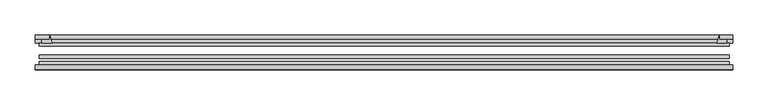
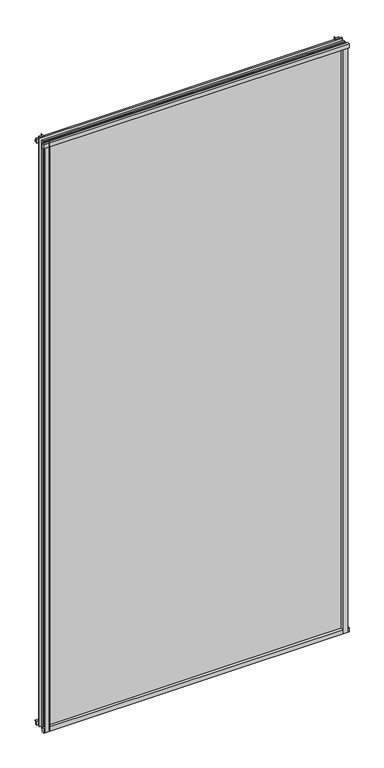
"""IFC4 building model written with IfcOpenShell, lengths in millimetres: plate geometry."""

from ifc_helpers import new_model, si_unit, point, frame, frame_2d, origin, place, context, project, spatial, polyline, circle_curve, trimmed, segment, composite_curve, outline, extrude, source, transform, mapped, element, save


def plate_2d6a0014(model_context):
    return source(origin(), model_context, "Body", "SweptSolid", [
        extrude(outline(composite_curve([segment(polyline([(-85.1328625, 1995.5063002), (-78.7828625, 1995.5063002), (-78.7828625, 1979.2561909)]), True, "CONTINUOUS"), segment(trimmed(circle_curve(frame_2d((-85.0581856, 1970.2064356)), 11.0126179), [point((-78.7828625, 1979.2561909))], [point((-85.1328625, 1981.2188002))], True, "CARTESIAN"), True, "CONTINUOUS"), segment(polyline([(-85.1328625, 1981.2188002), (-85.1328625, 1995.5063002)]), True, "CONTINUOUS")], self_intersect=False)), frame((-493.89665, 0.0, 0.0), z_axis=(1.0, 0.0, 0.0), x_axis=(0.0, 1.0, 0.0)), (0.0, 0.0, 1.0), 986.602675),
        extrude(outline(composite_curve([segment(polyline([(-488.1419625, -78.7828625), (-471.2807469, -78.7828625)]), True, "CONTINUOUS"), segment(trimmed(circle_curve(frame_2d((-460.7183434, -86.7604812)), 13.2365693), [point((-471.2807469, -78.7828625))], [point((-473.8544625, -85.1328625))], True, "CARTESIAN"), True, "CONTINUOUS"), segment(polyline([(-473.8544625, -85.1328625), (-488.1419625, -85.1328625), (-488.1419625, -78.7828625)]), True, "CONTINUOUS")], self_intersect=False)), frame((0.0, 0.0, -14.2875), z_axis=(0.0, 0.0, 1.0), x_axis=(1.0, 0.0, 0.0)), (0.0, 0.0, 1.0), 2009.775),
        extrude(outline(composite_curve([segment(polyline([(488.1419625, -78.7828625), (488.1419625, -85.1328625), (473.8544625, -85.1328625)]), True, "CONTINUOUS"), segment(trimmed(circle_curve(frame_2d((460.7183434, -86.7604812)), 13.2365693), [point((473.8544625, -85.1328625))], [point((471.2807469, -78.7828625))], True, "CARTESIAN"), True, "CONTINUOUS"), segment(polyline([(471.2807469, -78.7828625), (488.1419625, -78.7828625)]), True, "CONTINUOUS")], self_intersect=False)), frame((0.0, 0.0, -14.2875), z_axis=(0.0, 0.0, 1.0), x_axis=(1.0, 0.0, 0.0)), (0.0, 0.0, 1.0), 2009.775),
        extrude(outline(composite_curve([segment(polyline([(-47.1852625, -10.4712201), (-47.1852625, 3.9588469)]), True, "CONTINUOUS"), segment(trimmed(circle_curve(frame_2d((-30.6824422, 32.267054)), 32.7673262), [point((-47.1852625, 3.9588469))], [point((-36.3503395, -0.00635))], True, "CARTESIAN"), True, "CONTINUOUS"), segment(polyline([(-36.3503395, -0.00635), (-42.2830625, -0.00635), (-42.2830625, -10.4712201), (-47.1852625, -10.4712201)]), True, "CONTINUOUS")], self_intersect=False)), frame((-493.89665, 0.0, 0.0), z_axis=(1.0, 0.0, 0.0), x_axis=(0.0, 1.0, 0.0)), (0.0, 0.0, 1.0), 986.602675),
        extrude(outline(composite_curve([segment(polyline([(-78.7828625, -14.2875), (-85.1328625, -14.2875), (-85.1328625, -0.0127)]), True, "CONTINUOUS"), segment(trimmed(circle_curve(frame_2d((-86.7604812, 13.1234191)), 13.2365693), [point((-85.1328625, -0.0127))], [point((-78.7828625, 2.5610156))], True, "CARTESIAN"), True, "CONTINUOUS"), segment(polyline([(-78.7828625, 2.5610156), (-78.7828625, -14.2875)]), True, "CONTINUOUS")], self_intersect=False)), frame((-493.89665, 0.0, 0.0), z_axis=(1.0, 0.0, 0.0), x_axis=(0.0, 1.0, 0.0)), (0.0, 0.0, 1.0), 986.602675),
        extrude(outline(composite_curve([segment(polyline([(-47.1852625, 1977.2284531), (-47.1852625, 1991.9002564), (-42.2830625, 1991.9002564), (-42.2830625, 1981.2), (-36.3140625, 1981.2)]), True, "CONTINUOUS"), segment(trimmed(circle_curve(frame_2d((-30.6824422, 1948.920246)), 32.7673262), [point((-36.3140625, 1981.2))], [point((-47.1852625, 1977.2284531))], True, "CARTESIAN"), True, "CONTINUOUS")], self_intersect=False)), frame((-493.89665, 0.0, 0.0), z_axis=(1.0, 0.0, 0.0), x_axis=(0.0, 1.0, 0.0)), (0.0, 0.0, 1.0), 986.602675),
        extrude(outline(composite_curve([segment(trimmed(circle_curve(frame_2d((441.5747085, -30.6824422)), 32.7673262), [point((469.8829156, -47.1852625))], [point((473.8544625, -36.3140625))], True, "CARTESIAN"), True, "CONTINUOUS"), segment(polyline([(473.8544625, -36.3140625), (473.8544625, -42.2830625), (484.5548278, -42.2830625), (484.5548278, -47.1852625), (469.8829156, -47.1852625)]), True, "CONTINUOUS")], self_intersect=False)), frame((0.0, 0.0, -14.2875), z_axis=(0.0, 0.0, 1.0), x_axis=(1.0, 0.0, 0.0)), (0.0, 0.0, 1.0), 2009.775),
        extrude(outline(composite_curve([segment(polyline([(-469.8829156, -47.1852625), (-484.5496717, -47.1852625), (-484.5496717, -42.2830625), (-473.8544625, -42.2830625), (-473.8544625, -36.3140625)]), True, "CONTINUOUS"), segment(trimmed(circle_curve(frame_2d((-441.5747085, -30.6824422)), 32.7673262), [point((-473.8544625, -36.3140625))], [point((-469.8829156, -47.1852625))], True, "CARTESIAN"), True, "CONTINUOUS")], self_intersect=False)), frame((0.0, 0.0, -14.2875), z_axis=(0.0, 0.0, 1.0), x_axis=(1.0, 0.0, 0.0)), (0.0, 0.0, 1.0), 2009.775),
        extrude(outline(polyline([(488.1419625, -64.6604625), (488.1419625, -69.4356625), (-488.1419625, -69.4356625), (-488.1419625, -64.6604625), (488.1419625, -64.6604625)])), frame((0.0, 0.0, -14.2875), z_axis=(0.0, 0.0, 1.0), x_axis=(1.0, 0.0, 0.0)), (0.0, 0.0, 1.0), 2009.775),
        extrude(outline(polyline([(-488.1419625, -78.7828625), (-488.1419625, -74.0076625), (488.1419625, -74.0076625), (488.1419625, -78.7828625), (-488.1419625, -78.7828625)])), frame((0.0, 0.0, -14.2875), z_axis=(0.0, 0.0, 1.0), x_axis=(1.0, 0.0, 0.0)), (0.0, 0.0, 1.0), 2009.775),
        extrude(outline(polyline([(-488.1419625, -47.1852625), (488.1419625, -47.1852625), (488.1419625, -51.9604625), (-488.1419625, -51.9604625), (-488.1419625, -47.1852625)])), frame((0.0, 0.0, -14.2875), z_axis=(0.0, 0.0, 1.0), x_axis=(1.0, 0.0, 0.0)), (0.0, 0.0, 1.0), 2009.775),
    ])


if __name__ == "__main__":
    model = new_model("IFC4")
    model_context = context("Model", 3, world=origin())
    ifc_project = project(units=[si_unit("LENGTHUNIT", "METRE", prefix="MILLI")], contexts=[model_context])
    site = spatial("IfcSite", under=ifc_project)
    building = spatial("IfcBuilding", under=site)
    placement = place(None, origin())
    plate_shape = plate_2d6a0014(model_context)
    element("IfcPlate", 1, at=placement, inside=building, context=model_context, shape_type="MappedRepresentation", body=[
        mapped(plate_shape, transform((0.0, 0.0, 0.0), x_axis=(1.0, 0.0, 0.0), y_axis=(0.0, 1.0, 0.0), z_axis=(0.0, 0.0, 1.0))),
    ])
    save(model, "model.ifc")
